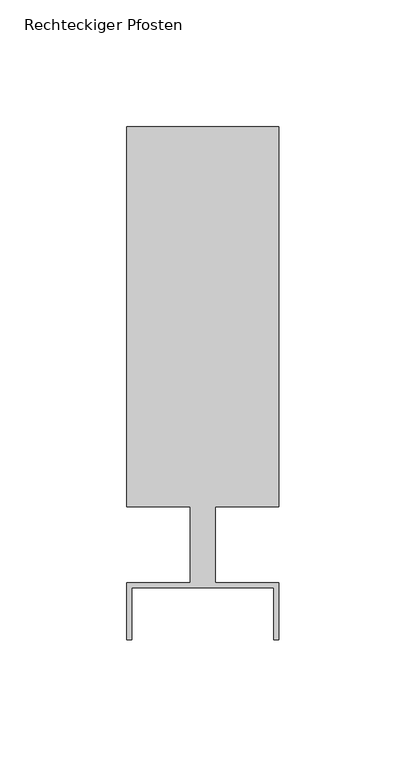
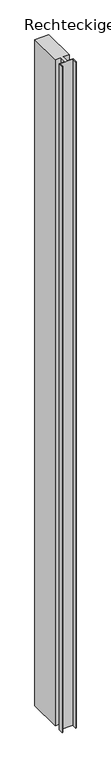
"""IFC4 building model written with IfcOpenShell, lengths in millimetres: member geometry, Rechteckiger Pfosten."""

from ifc_helpers import new_model, si_unit, frame, origin, place, context, project, spatial, polyline, outline, extrude, source, transform, mapped, element, save


def rechteckiger_pfosten_dade5fa3(model_context):
    return source(origin(), model_context, "Body", "SweptSolid", [
        extrude(outline(polyline([(28.0, -37.5), (28.0, -17.0), (-28.0, -17.0), (-28.0, -37.5), (-30.0, -37.5), (-30.0, -15.0), (-5.0, -15.0), (-5.0, 15.0), (-30.0, 15.0), (-30.0, 165.0), (30.0, 165.0), (30.0, 15.0), (5.0, 15.0), (5.0, -15.0), (30.0, -15.0), (30.0, -37.5), (28.0, -37.5)])), frame((0.0, 0.0, -3030.0643485), z_axis=(0.0, 0.0, 1.0), x_axis=(1.0, 0.0, 0.0)), (0.0, 0.0, 1.0), 3030.0643485),
    ])


if __name__ == "__main__":
    model = new_model("IFC4")
    model_context = context("Model", 3, world=origin())
    ifc_project = project(units=[si_unit("LENGTHUNIT", "METRE", prefix="MILLI")], contexts=[model_context])
    site = spatial("IfcSite", under=ifc_project)
    building = spatial("IfcBuilding", under=site)
    placement = place(None, origin())
    rechteckiger_pfosten_shape = rechteckiger_pfosten_dade5fa3(model_context)
    element("IfcMember", 1, ObjectType="Rechteckiger Pfosten", at=placement, inside=building, context=model_context, shape_type="MappedRepresentation", body=[
        mapped(rechteckiger_pfosten_shape, transform((0.0, 0.0, 0.0), x_axis=(1.0, 0.0, 0.0), y_axis=(0.0, 1.0, 0.0), z_axis=(0.0, 0.0, 1.0))),
    ])
    save(model, "model.ifc")
